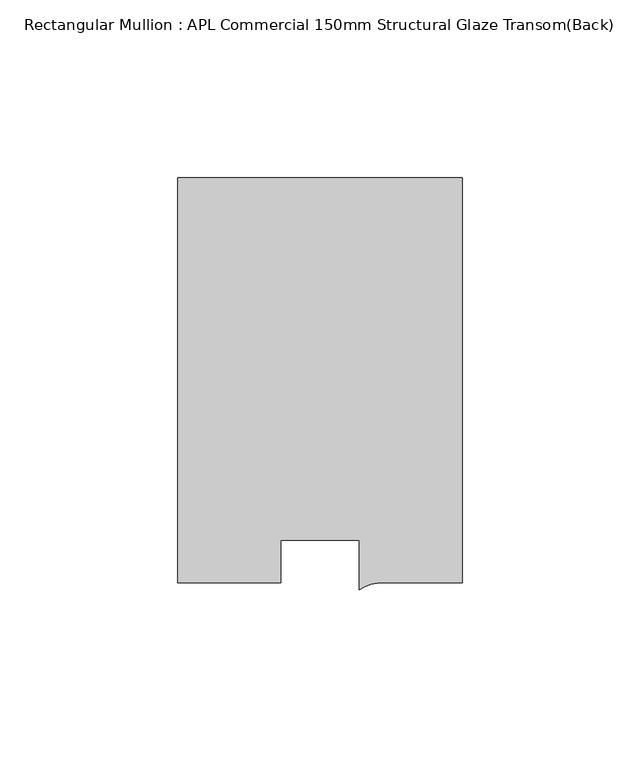
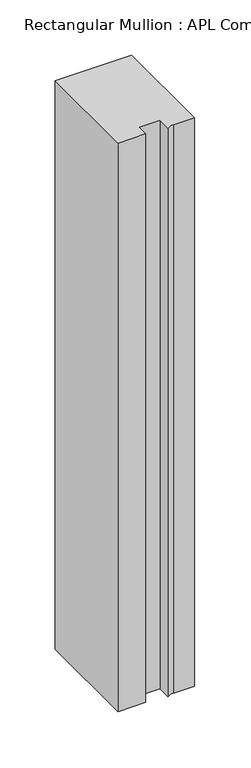
"""IFC4 building model written with IfcOpenShell, lengths in millimetres: member geometry, Rectangular Mullion : APL Commercial 150mm Structural Glaze Transom(Back)."""

from ifc_helpers import new_model, si_unit, point, frame, frame_2d, origin, place, context, project, spatial, polyline, circle_curve, trimmed, segment, composite_curve, outline, extrude, source, transform, mapped, element, save


def rectangular_mullion_apl_commercial_150mm_structural_glaze_f6f1f6db(model_context):
    return source(origin(), model_context, "Body", "SweptSolid", [
        extrude(outline(composite_curve([segment(polyline([(40.0, 128.9999975), (40.0, 15.0000829), (17.9999542, 15.0000829)]), True, "CONTINUOUS"), segment(trimmed(circle_curve(frame_2d((17.1097719, 4.581653)), 10.4563907), [point((17.9999542, 15.0000829))], [point((11.0000151, 13.0673455))], True, "CARTESIAN"), True, "CONTINUOUS"), segment(polyline([(11.0000151, 13.0673455), (11.0000151, 27.0), (-11.0000151, 27.0), (-11.0000151, 15.0000829), (-40.0, 15.0000829), (-40.0, 128.9999975), (40.0, 128.9999975)]), True, "CONTINUOUS")], self_intersect=False)), frame((0.0, 0.0, -628.0250341), z_axis=(0.0, 0.0, 1.0), x_axis=(1.0, 0.0, 0.0)), (0.0, 0.0, 1.0), 628.0250341),
    ])


if __name__ == "__main__":
    model = new_model("IFC4")
    model_context = context("Model", 3, world=origin())
    ifc_project = project(units=[si_unit("LENGTHUNIT", "METRE", prefix="MILLI")], contexts=[model_context])
    site = spatial("IfcSite", under=ifc_project)
    building = spatial("IfcBuilding", under=site)
    placement = place(None, origin())
    rectangular_mullion_apl_commercial_150mm_structural_glaze_shape = rectangular_mullion_apl_commercial_150mm_structural_glaze_f6f1f6db(model_context)
    element("IfcMember", 1, ObjectType="Rectangular Mullion : APL Commercial 150mm Structural Glaze Transom(Back)", at=placement, inside=building, context=model_context, shape_type="MappedRepresentation", body=[
        mapped(rectangular_mullion_apl_commercial_150mm_structural_glaze_shape, transform((0.0, 0.0, 0.0), x_axis=(1.0, 0.0, 0.0), y_axis=(0.0, 1.0, 0.0), z_axis=(0.0, 0.0, 1.0))),
    ])
    save(model, "model.ifc")
